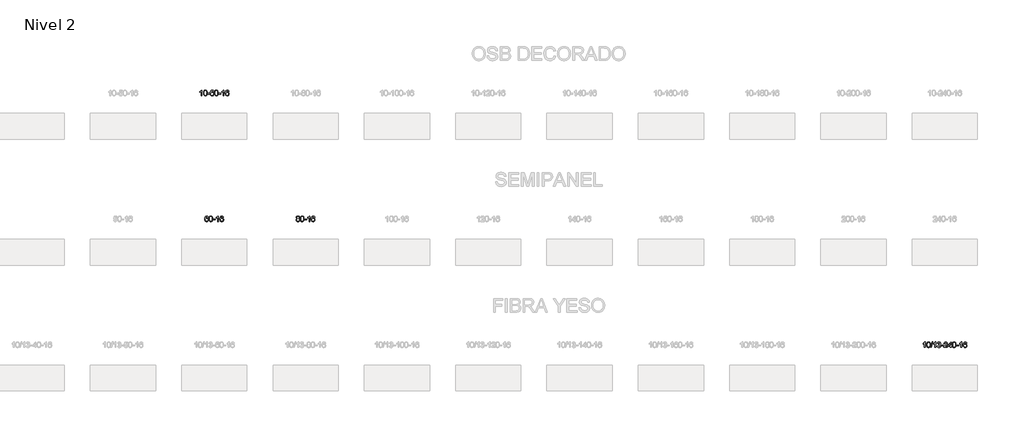
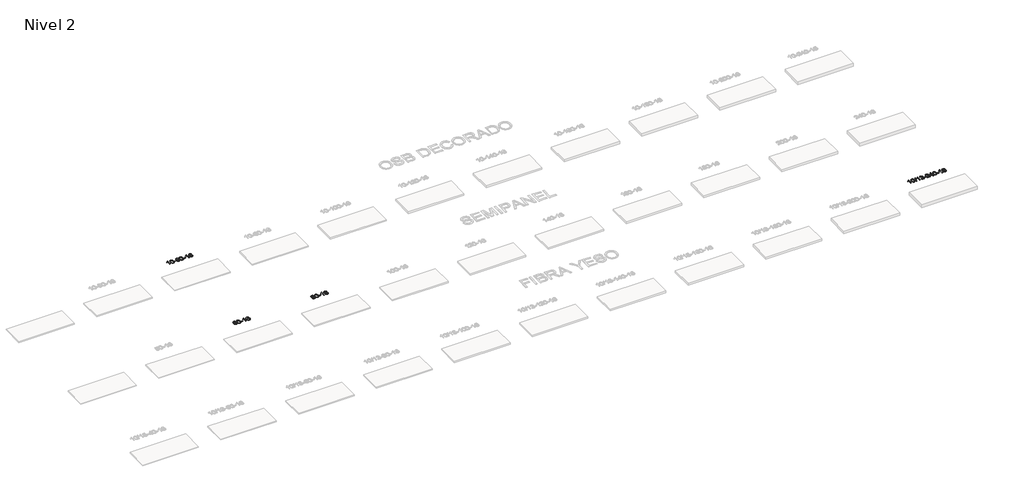
# One storey, part 29 of 51: 4 proxies.
"""IFC4 building model written with IfcOpenShell, lengths in millimetres."""

from ifc_helpers import new_model, si_unit, frame, origin, place, context, project, spatial, polyline, outline, extrude, element, save

model = new_model("IFC4")

# Units and contexts
model_context = context("Model", 3, world=origin())
ifc_project = project(units=[si_unit("LENGTHUNIT", "METRE", prefix="MILLI")], contexts=[model_context])

# Site, building, storey
site = spatial("IfcSite", under=ifc_project)
building = spatial("IfcBuilding", under=site)
storey = spatial("IfcBuildingStorey", under=building, Name="Nivel 2", Elevation=3000.0)

# Proxies
placement = place(None, origin())
element("IfcBuildingElementProxy", 1, Name="Texto de modelo 1", ObjectType="Texto de modelo 1", at=placement, inside=storey, context=model_context, shape_type="SweptSolid", body=[
    extrude(outline(polyline([(4824.6154698, -86347.0667526), (4774.3873148, -86347.0667526), (4774.3873148, -86033.9255983), (4753.418041, -86050.8849583), (4726.80791, -86067.8197928), (4673.9310046, -86093.179125), (4673.9310046, -86045.6978222), (4713.3802172, -86024.2380391), (4747.5564546, -85998.7070287), (4774.4976794, -85971.5573374), (4792.2418543, -85945.241512), (4824.6154698, -85945.241512), (4824.6154698, -86347.0667526)])), frame((0.0, 0.0, 3000.0), z_axis=(0.0, 0.0, 1.0), x_axis=(1.0, 0.0, 0.0)), (0.0, 0.0, 1.0), 10.0),
    extrude(outline(polyline([(4943.9073381, -86149.3914939), (4947.5984208, -86085.0734584), (4958.6716689, -86033.7784455), (4977.0167177, -85994.7216404), (4988.8747807, -85979.4882601), (5002.5232027, -85967.118228), (5018.007969, -85957.5471648), (5035.3750649, -85950.710691), (5075.7562452, -85945.241512), (5106.7073837, -85948.4788736), (5134.4211607, -85958.1909583), (5157.5977264, -85973.9976213), (5174.9372311, -85995.518718), (5188.0338301, -86022.5703074), (5198.4816788, -86054.9684485), (5205.3242839, -86096.1099183), (5207.6051523, -86149.3914939), (5203.9508578, -86213.3416474), (5192.9879743, -86264.5140329), (5174.7532901, -86303.6076263), (5162.9228183, -86318.8869918), (5149.2835933, -86331.3214032), (5133.7804329, -86340.9568458), (5116.3581547, -86347.8393048), (5075.7562452, -86353.345272), (5048.0915192, -86350.9540391), (5023.5660528, -86343.7803401), (5002.1798462, -86331.8241753), (4983.9328992, -86315.0855445), (4966.4217162, -86284.8272504), (4953.9137284, -86247.1254773), (4946.4089357, -86201.9802251), (4943.9073381, -86149.3914939)]), holes=[polyline([(4994.1354932, -86149.293392), (4995.6070212, -86192.9579192), (5000.0216051, -86228.3021819), (5007.379245, -86255.3261801), (5017.6799409, -86274.0299139), (5030.1388778, -86286.7555652), (5043.9712408, -86295.8453162), (5059.17703, -86301.2991668), (5075.7562452, -86303.1171169), (5092.3354605, -86301.2930354), (5107.5412496, -86295.8207907), (5121.3736126, -86286.7003829), (5133.8325495, -86273.931812), (5144.1332454, -86255.1974214), (5151.4908853, -86228.1795545), (5155.9054692, -86192.8782114), (5157.3769972, -86149.293392), (5155.9545202, -86106.7846275), (5151.687089, -86072.0626985), (5144.5747038, -86045.1276051), (5134.6173644, -86025.9793472), (5122.366894, -86012.6313622), (5108.3751154, -86003.0970871), (5092.6420288, -85997.3765221), (5075.167634, -85995.4696671), (5058.6742579, -85997.1496616), (5043.7259862, -86002.1896449), (5030.3228188, -86010.5896171), (5018.4647558, -86022.3495782), (5007.8207034, -86043.1962246), (5000.2178089, -86071.3024091), (4995.6560721, -86106.6681315), (4994.1354932, -86149.293392)])]), frame((0.0, 0.0, 3000.0), z_axis=(0.0, 0.0, 1.0), x_axis=(1.0, 0.0, 0.0)), (0.0, 0.0, 1.0), 10.0),
    extrude(outline(polyline([(5238.9977492, -86227.7748843), (5238.9977492, -86177.5467293), (5395.9607338, -86177.5467293), (5395.9607338, -86227.7748843), (5238.9977492, -86227.7748843)])), frame((0.0, 0.0, 3000.0), z_axis=(0.0, 0.0, 1.0), x_axis=(1.0, 0.0, 0.0)), (0.0, 0.0, 1.0), 10.0),
    extrude(outline(polyline([(5697.3296643, -86051.9763416), (5647.1015092, -86058.254861), (5639.0081053, -86033.3615126), (5628.0697473, -86016.3653644), (5605.2855891, -86000.6935914), (5577.7434904, -85995.4696671), (5554.3952464, -85998.5108249), (5532.4204286, -86007.6342984), (5513.5480822, -86026.8500013), (5498.1338266, -86053.3007168), (5487.7227661, -86090.7143157), (5483.8600052, -86142.8186689), (5504.0076758, -86119.3110094), (5528.1529974, -86102.7440569), (5554.9470694, -86092.9216076), (5583.0409911, -86089.6474579), (5607.17405, -86091.8854067), (5629.4431734, -86098.5992531), (5649.8483614, -86109.7889971), (5668.389614, -86125.4546387), (5683.7977382, -86144.6642103), (5694.8035412, -86166.4857439), (5701.407023, -86190.9192398), (5703.6081836, -86217.9646978), (5699.4633798, -86253.9312942), (5687.0289684, -86287.2736657), (5667.3350189, -86315.5515284), (5641.411601, -86336.3245984), (5610.435937, -86349.0901036), (5575.5852493, -86353.345272), (5545.6427206, -86350.5248434), (5518.6003283, -86342.0635575), (5494.4580723, -86327.9614144), (5473.2159528, -86308.2184139), (5455.8979079, -86282.0006904), (5443.5278758, -86248.4743779), (5436.1058565, -86207.6394765), (5433.6318501, -86159.495986), (5436.3787023, -86105.521566), (5444.619259, -86059.4566088), (5458.3535202, -86021.3011145), (5477.5814858, -85991.0550832), (5498.4220008, -85971.0116458), (5522.5857165, -85956.6949048), (5550.072633, -85948.1048602), (5580.88275, -85945.241512), (5604.0163962, -85947.013477), (5624.9550131, -85952.3293718), (5643.6986007, -85961.1891965), (5660.2471591, -85973.5929511), (5674.1530986, -85989.1237027), (5684.9688292, -86007.3645183), (5692.6943511, -86028.3153979), (5697.3296643, -86051.9763416)]), holes=[polyline([(5483.8600052, -86217.1798829), (5486.7662729, -86239.4367436), (5495.4850762, -86260.6880602), (5509.0231337, -86278.9595326), (5526.3871638, -86292.2768608), (5547.3441748, -86300.4070529), (5571.6611747, -86303.1171169), (5604.8073425, -86297.5007852), (5618.7224789, -86290.4803704), (5630.8656505, -86280.6517898), (5640.7156909, -86268.4135821), (5647.751434, -86254.1642861), (5653.3800286, -86219.6324295), (5647.8250104, -86186.4862617), (5640.8812378, -86172.8654309), (5631.1599561, -86161.2127687), (5618.9799963, -86151.877763), (5604.6601897, -86145.2099019), (5569.6010355, -86139.875613), (5536.5039187, -86145.2099019), (5508.8269299, -86161.2127687), (5497.9039004, -86172.7121467), (5490.1017364, -86185.8731251), (5485.420438, -86200.6957038), (5483.8600052, -86217.1798829)])]), frame((0.0, 0.0, 3000.0), z_axis=(0.0, 0.0, 1.0), x_axis=(1.0, 0.0, 0.0)), (0.0, 0.0, 1.0), 10.0),
    extrude(outline(polyline([(5747.5578193, -86149.3914939), (5751.248902, -86085.0734584), (5762.3221501, -86033.7784455), (5780.6671989, -85994.7216404), (5792.5252619, -85979.4882601), (5806.1736839, -85967.118228), (5821.6584502, -85957.5471648), (5839.0255461, -85950.710691), (5879.4067264, -85945.241512), (5910.3578649, -85948.4788736), (5938.0716419, -85958.1909583), (5961.2482076, -85973.9976213), (5978.5877123, -85995.518718), (5991.6843113, -86022.5703074), (6002.13216, -86054.9684485), (6008.9747651, -86096.1099183), (6011.2556335, -86149.3914939), (6007.601339, -86213.3416474), (5996.6384555, -86264.5140329), (5978.4037713, -86303.6076263), (5966.5732995, -86318.8869918), (5952.9340745, -86331.3214032), (5937.4309141, -86340.9568458), (5920.0086359, -86347.8393048), (5879.4067264, -86353.345272), (5851.7420004, -86350.9540391), (5827.216534, -86343.7803401), (5805.8303274, -86331.8241753), (5787.5833804, -86315.0855445), (5770.0721974, -86284.8272504), (5757.5642096, -86247.1254773), (5750.0594169, -86201.9802251), (5747.5578193, -86149.3914939)]), holes=[polyline([(5797.7859744, -86149.293392), (5799.2575024, -86192.9579192), (5803.6720863, -86228.3021819), (5811.0297262, -86255.3261801), (5821.3304221, -86274.0299139), (5833.789359, -86286.7555652), (5847.621722, -86295.8453162), (5862.8275112, -86301.2991668), (5879.4067264, -86303.1171169), (5895.9859417, -86301.2930354), (5911.1917308, -86295.8207907), (5925.0240938, -86286.7003829), (5937.4830307, -86273.931812), (5947.7837266, -86255.1974214), (5955.1413665, -86228.1795545), (5959.5559504, -86192.8782114), (5961.0274784, -86149.293392), (5959.6050013, -86106.7846275), (5955.3375702, -86072.0626985), (5948.225185, -86045.1276051), (5938.2678456, -86025.9793472), (5926.0173752, -86012.6313622), (5912.0255966, -86003.0970871), (5896.29251, -85997.3765221), (5878.8181152, -85995.4696671), (5862.3247391, -85997.1496616), (5847.3764674, -86002.1896449), (5833.9733, -86010.5896171), (5822.115237, -86022.3495782), (5811.4711846, -86043.1962246), (5803.8682901, -86071.3024091), (5799.3065533, -86106.6681315), (5797.7859744, -86149.293392)])]), frame((0.0, 0.0, 3000.0), z_axis=(0.0, 0.0, 1.0), x_axis=(1.0, 0.0, 0.0)), (0.0, 0.0, 1.0), 10.0),
    extrude(outline(polyline([(6042.6482304, -86227.7748843), (6042.6482304, -86177.5467293), (6199.611215, -86177.5467293), (6199.611215, -86227.7748843), (6042.6482304, -86227.7748843)])), frame((0.0, 0.0, 3000.0), z_axis=(0.0, 0.0, 1.0), x_axis=(1.0, 0.0, 0.0)), (0.0, 0.0, 1.0), 10.0),
    extrude(outline(polyline([(6431.9164322, -86347.0667526), (6381.6882771, -86347.0667526), (6381.6882771, -86033.9255983), (6360.7190034, -86050.8849583), (6334.1088724, -86067.8197928), (6281.231967, -86093.179125), (6281.231967, -86045.6978222), (6320.6811796, -86024.2380391), (6354.857417, -85998.7070287), (6381.7986417, -85971.5573374), (6399.5428166, -85945.241512), (6431.9164322, -85945.241512), (6431.9164322, -86347.0667526)])), frame((0.0, 0.0, 3000.0), z_axis=(0.0, 0.0, 1.0), x_axis=(1.0, 0.0, 0.0)), (0.0, 0.0, 1.0), 10.0),
    extrude(outline(polyline([(6808.6275953, -86051.9763416), (6758.3994402, -86058.254861), (6750.3060363, -86033.3615126), (6739.3676783, -86016.3653644), (6716.5835201, -86000.6935914), (6689.0414214, -85995.4696671), (6665.6931774, -85998.5108249), (6643.7183596, -86007.6342984), (6624.8460132, -86026.8500013), (6609.4317576, -86053.3007168), (6599.0206972, -86090.7143157), (6595.1579362, -86142.8186689), (6615.3056068, -86119.3110094), (6639.4509284, -86102.7440569), (6666.2450004, -86092.9216076), (6694.3389221, -86089.6474579), (6718.471981, -86091.8854067), (6740.7411044, -86098.5992531), (6761.1462924, -86109.7889971), (6779.687545, -86125.4546387), (6795.0956692, -86144.6642103), (6806.1014723, -86166.4857439), (6812.7049541, -86190.9192398), (6814.9061147, -86217.9646978), (6810.7613109, -86253.9312942), (6798.3268994, -86287.2736657), (6778.6329499, -86315.5515284), (6752.709532, -86336.3245984), (6721.733868, -86349.0901036), (6686.8831803, -86353.345272), (6656.9406516, -86350.5248434), (6629.8982593, -86342.0635575), (6605.7560034, -86327.9614144), (6584.5138838, -86308.2184139), (6567.1958389, -86282.0006904), (6554.8258068, -86248.4743779), (6547.4037876, -86207.6394765), (6544.9297811, -86159.495986), (6547.6766334, -86105.521566), (6555.9171901, -86059.4566088), (6569.6514512, -86021.3011145), (6588.8794168, -85991.0550832), (6609.7199319, -85971.0116458), (6633.8836476, -85956.6949048), (6661.370564, -85948.1048602), (6692.1806811, -85945.241512), (6715.3143272, -85947.013477), (6736.2529441, -85952.3293718), (6754.9965318, -85961.1891965), (6771.5450902, -85973.5929511), (6785.4510296, -85989.1237027), (6796.2667602, -86007.3645183), (6803.9922821, -86028.3153979), (6808.6275953, -86051.9763416)]), holes=[polyline([(6595.1579362, -86217.1798829), (6598.064204, -86239.4367436), (6606.7830073, -86260.6880602), (6620.3210647, -86278.9595326), (6637.6850949, -86292.2768608), (6658.6421059, -86300.4070529), (6682.9591057, -86303.1171169), (6716.1052735, -86297.5007852), (6730.02041, -86290.4803704), (6742.1635815, -86280.6517898), (6752.0136219, -86268.4135821), (6759.0493651, -86254.1642861), (6764.6779596, -86219.6324295), (6759.1229415, -86186.4862617), (6752.1791688, -86172.8654309), (6742.4578871, -86161.2127687), (6730.2779274, -86151.877763), (6715.9581207, -86145.2099019), (6680.8989666, -86139.875613), (6647.8018497, -86145.2099019), (6620.124861, -86161.2127687), (6609.2018314, -86172.7121467), (6601.3996674, -86185.8731251), (6596.718369, -86200.6957038), (6595.1579362, -86217.1798829)])]), frame((0.0, 0.0, 3000.0), z_axis=(0.0, 0.0, 1.0), x_axis=(1.0, 0.0, 0.0)), (0.0, 0.0, 1.0), 10.0),
])
element("IfcBuildingElementProxy", 2, Name="Texto de modelo 1", ObjectType="Texto de modelo 1", at=placement, inside=storey, context=model_context, shape_type="SweptSolid", body=[
    extrude(outline(polyline([(5295.5044237, -95310.3570445), (5245.2762686, -95316.6355639), (5237.1828647, -95291.7422155), (5226.2445067, -95274.7460673), (5203.4603485, -95259.0742943), (5175.9182498, -95253.85037), (5152.5700058, -95256.8915278), (5130.595188, -95266.0150013), (5111.7228416, -95285.2307042), (5096.308586, -95311.6814197), (5085.8975255, -95349.0950186), (5082.0347646, -95401.1993718), (5102.1824352, -95377.6917123), (5126.3277568, -95361.1247598), (5153.1218288, -95351.3023105), (5181.2157505, -95348.0281608), (5205.3488094, -95350.2661096), (5227.6179328, -95356.979956), (5248.0231208, -95368.1697), (5266.5643734, -95383.8353416), (5281.9724976, -95403.0449132), (5292.9783006, -95424.8664468), (5299.5817824, -95449.2999427), (5301.782943, -95476.3454007), (5297.6381392, -95512.3119971), (5285.2037278, -95545.6543686), (5265.5097783, -95573.9322313), (5239.5863604, -95594.7053013), (5208.6106964, -95607.4708065), (5173.7600087, -95611.7259749), (5143.81748, -95608.9055463), (5116.7750877, -95600.4442604), (5092.6328317, -95586.3421173), (5071.3907122, -95566.5991168), (5054.0726673, -95540.3813933), (5041.7026352, -95506.8550808), (5034.2806159, -95466.0201794), (5031.8066095, -95417.8766889), (5034.5534617, -95363.9022689), (5042.7940184, -95317.8373117), (5056.5282796, -95279.6818174), (5075.7562452, -95249.4357861), (5096.5967602, -95229.3923487), (5120.7604759, -95215.0756077), (5148.2473924, -95206.4855631), (5179.0575095, -95203.6222149), (5202.1911556, -95205.3941799), (5223.1297725, -95210.7100747), (5241.8733601, -95219.5698994), (5258.4219185, -95231.973654), (5272.327858, -95247.5044056), (5283.1435886, -95265.7452212), (5290.8691105, -95286.6961008), (5295.5044237, -95310.3570445)]), holes=[polyline([(5082.0347646, -95475.5605858), (5084.9410324, -95497.8174465), (5093.6598356, -95519.0687631), (5107.1978931, -95537.3402355), (5124.5619232, -95550.6575637), (5145.5189342, -95558.7877558), (5169.8359341, -95561.4978198), (5202.9821019, -95555.8814881), (5216.8972383, -95548.8610733), (5229.0404099, -95539.0324927), (5238.8904503, -95526.794285), (5245.9261934, -95512.544989), (5251.554788, -95478.0131324), (5245.9997698, -95444.8669646), (5239.0559972, -95431.2461338), (5229.3347155, -95419.5934716), (5217.1547557, -95410.2584659), (5202.8349491, -95403.5906048), (5167.7757949, -95398.2563159), (5134.6786781, -95403.5906048), (5107.0016893, -95419.5934716), (5096.0786598, -95431.0928496), (5088.2764958, -95444.253828), (5083.5951974, -95459.0764067), (5082.0347646, -95475.5605858)])]), frame((0.0, 0.0, 3000.0), z_axis=(0.0, 0.0, 1.0), x_axis=(1.0, 0.0, 0.0)), (0.0, 0.0, 1.0), 10.0),
    extrude(outline(polyline([(5345.7325787, -95407.7721968), (5349.4236614, -95343.4541613), (5360.4969095, -95292.1591484), (5378.8419583, -95253.1023433), (5390.7000213, -95237.868963), (5404.3484433, -95225.4989309), (5419.8332096, -95215.9278677), (5437.2003055, -95209.0913939), (5477.5814858, -95203.6222149), (5508.5326243, -95206.8595765), (5536.2464013, -95216.5716612), (5559.422967, -95232.3783242), (5576.7624717, -95253.8994209), (5589.8590707, -95280.9510103), (5600.3069194, -95313.3491514), (5607.1495245, -95354.4906212), (5609.4303929, -95407.7721968), (5605.7760984, -95471.7223503), (5594.8132149, -95522.8947358), (5576.5785307, -95561.9883292), (5564.7480589, -95577.2676947), (5551.1088339, -95589.7021061), (5535.6056735, -95599.3375487), (5518.1833953, -95606.2200077), (5477.5814858, -95611.7259749), (5449.9167598, -95609.334742), (5425.3912934, -95602.161043), (5404.0050868, -95590.2048782), (5385.7581398, -95573.4662474), (5368.2469568, -95543.2079533), (5355.738969, -95505.5061802), (5348.2341763, -95460.360928), (5345.7325787, -95407.7721968)]), holes=[polyline([(5395.9607338, -95407.6740949), (5397.4322618, -95451.3386221), (5401.8468457, -95486.6828848), (5409.2044856, -95513.706883), (5419.5051815, -95532.4106168), (5431.9641184, -95545.1362681), (5445.7964814, -95554.2260191), (5461.0022706, -95559.6798697), (5477.5814858, -95561.4978198), (5494.1607011, -95559.6737383), (5509.3664902, -95554.2014936), (5523.1988532, -95545.0810858), (5535.6577901, -95532.3125149), (5545.958486, -95513.5781243), (5553.3161259, -95486.5602574), (5557.7307098, -95451.2589143), (5559.2022378, -95407.6740949), (5557.7797608, -95365.1653304), (5553.5123296, -95330.4434014), (5546.3999444, -95303.508308), (5536.442605, -95284.3600501), (5524.1921346, -95271.0120651), (5510.200356, -95261.47779), (5494.4672694, -95255.757225), (5476.9928746, -95253.85037), (5460.4994985, -95255.5303645), (5445.5512268, -95260.5703478), (5432.1480594, -95268.97032), (5420.2899964, -95280.7302811), (5409.645944, -95301.5769275), (5402.0430495, -95329.683112), (5397.4813127, -95365.0488344), (5395.9607338, -95407.6740949)])]), frame((0.0, 0.0, 3000.0), z_axis=(0.0, 0.0, 1.0), x_axis=(1.0, 0.0, 0.0)), (0.0, 0.0, 1.0), 10.0),
    extrude(outline(polyline([(5640.8229898, -95486.1555872), (5640.8229898, -95435.9274322), (5797.7859744, -95435.9274322), (5797.7859744, -95486.1555872), (5640.8229898, -95486.1555872)])), frame((0.0, 0.0, 3000.0), z_axis=(0.0, 0.0, 1.0), x_axis=(1.0, 0.0, 0.0)), (0.0, 0.0, 1.0), 10.0),
    extrude(outline(polyline([(6030.0911916, -95605.4474555), (5979.8630366, -95605.4474555), (5979.8630366, -95292.3063012), (5958.8937628, -95309.2656612), (5932.2836318, -95326.2004957), (5879.4067264, -95351.5598279), (5879.4067264, -95304.0785251), (5918.855939, -95282.618742), (5953.0321764, -95257.0877316), (5979.9734011, -95229.9380403), (5997.7175761, -95203.6222149), (6030.0911916, -95203.6222149), (6030.0911916, -95605.4474555)])), frame((0.0, 0.0, 3000.0), z_axis=(0.0, 0.0, 1.0), x_axis=(1.0, 0.0, 0.0)), (0.0, 0.0, 1.0), 10.0),
    extrude(outline(polyline([(6406.8023547, -95310.3570445), (6356.5741996, -95316.6355639), (6348.4807957, -95291.7422155), (6337.5424377, -95274.7460673), (6314.7582795, -95259.0742943), (6287.2161808, -95253.85037), (6263.8679368, -95256.8915278), (6241.893119, -95266.0150013), (6223.0207726, -95285.2307042), (6207.606517, -95311.6814197), (6197.1954566, -95349.0950186), (6193.3326956, -95401.1993718), (6213.4803662, -95377.6917123), (6237.6256878, -95361.1247598), (6264.4197598, -95351.3023105), (6292.5136815, -95348.0281608), (6316.6467404, -95350.2661096), (6338.9158638, -95356.979956), (6359.3210518, -95368.1697), (6377.8623044, -95383.8353416), (6393.2704286, -95403.0449132), (6404.2762317, -95424.8664468), (6410.8797135, -95449.2999427), (6413.0808741, -95476.3454007), (6408.9360703, -95512.3119971), (6396.5016588, -95545.6543686), (6376.8077093, -95573.9322313), (6350.8842914, -95594.7053013), (6319.9086274, -95607.4708065), (6285.0579397, -95611.7259749), (6255.115411, -95608.9055463), (6228.0730187, -95600.4442604), (6203.9307628, -95586.3421173), (6182.6886432, -95566.5991168), (6165.3705983, -95540.3813933), (6153.0005662, -95506.8550808), (6145.578547, -95466.0201794), (6143.1045405, -95417.8766889), (6145.8513928, -95363.9022689), (6154.0919495, -95317.8373117), (6167.8262106, -95279.6818174), (6187.0541762, -95249.4357861), (6207.8946913, -95229.3923487), (6232.058407, -95215.0756077), (6259.5453234, -95206.4855631), (6290.3554405, -95203.6222149), (6313.4890866, -95205.3941799), (6334.4277035, -95210.7100747), (6353.1712912, -95219.5698994), (6369.7198496, -95231.973654), (6383.625789, -95247.5044056), (6394.4415196, -95265.7452212), (6402.1670415, -95286.6961008), (6406.8023547, -95310.3570445)]), holes=[polyline([(6193.3326956, -95475.5605858), (6196.2389634, -95497.8174465), (6204.9577667, -95519.0687631), (6218.4958241, -95537.3402355), (6235.8598543, -95550.6575637), (6256.8168653, -95558.7877558), (6281.1338651, -95561.4978198), (6314.2800329, -95555.8814881), (6328.1951694, -95548.8610733), (6340.3383409, -95539.0324927), (6350.1883813, -95526.794285), (6357.2241245, -95512.544989), (6362.852719, -95478.0131324), (6357.2977009, -95444.8669646), (6350.3539282, -95431.2461338), (6340.6326465, -95419.5934716), (6328.4526868, -95410.2584659), (6314.1328801, -95403.5906048), (6279.073726, -95398.2563159), (6245.9766091, -95403.5906048), (6218.2996204, -95419.5934716), (6207.3765908, -95431.0928496), (6199.5744268, -95444.253828), (6194.8931284, -95459.0764067), (6193.3326956, -95475.5605858)])]), frame((0.0, 0.0, 3000.0), z_axis=(0.0, 0.0, 1.0), x_axis=(1.0, 0.0, 0.0)), (0.0, 0.0, 1.0), 10.0),
])
element("IfcBuildingElementProxy", 3, Name="Texto de modelo 1", ObjectType="Texto de modelo 1", at=placement, inside=storey, context=model_context, shape_type="SweptSolid", body=[
    extrude(outline(polyline([(11826.2096553, -95384.1296472), (11799.3174814, -95370.8858954), (11780.4451351, -95352.933254), (11769.2983106, -95330.6396051), (11765.5827025, -95304.3728307), (11767.6060535, -95283.8879349), (11773.6761064, -95265.1075591), (11783.7928613, -95248.0317031), (11797.9563181, -95232.6603671), (11815.4858951, -95219.9561755), (11835.7010108, -95210.881753), (11858.601665, -95205.4370994), (11884.1878577, -95203.6222149), (11909.8966778, -95205.480019), (11932.9690103, -95211.0534312), (11953.4048551, -95220.3424516), (11971.2042123, -95233.3470801), (11985.6251865, -95249.0188531), (11995.9258824, -95266.3093069), (12002.1062999, -95285.2184415), (12004.1664391, -95305.7462568), (12000.4998819, -95331.1669027), (11989.5002102, -95353.0804068), (11971.0447968, -95370.9226836), (11945.0110143, -95384.1296472), (11975.9253646, -95400.0589376), (11998.42748, -95423.5175462), (12012.1494784, -95453.3773015), (12016.7234779, -95488.510032), (12014.4548722, -95513.5627959), (12007.6490553, -95536.5308951), (11996.3060271, -95557.4143297), (11980.4257877, -95576.2130997), (11960.8422028, -95591.7499826), (11938.3891384, -95602.8477561), (11913.0665944, -95609.5064202), (11884.8745708, -95611.7259749), (11856.6825472, -95609.4972232), (11831.3600032, -95602.8109679), (11808.9069388, -95591.6672091), (11789.3233539, -95576.0659469), (11773.4431145, -95557.1353525), (11762.1000863, -95536.0035976), (11755.2942694, -95512.670682), (11753.0256637, -95487.1366059), (11757.7836042, -95450.642712), (11772.0574256, -95420.6235412), (11795.111364, -95398.1091631), (11826.2096553, -95384.1296472)]), holes=[polyline([(11815.8108576, -95305.8443587), (11820.2622297, -95327.7701256), (11833.6163461, -95345.2813085), (11855.4807994, -95356.7592268), (11885.463182, -95360.5851995), (11914.7465888, -95356.7837523), (11936.2799483, -95345.3794104), (11949.5237001, -95328.4568386), (11953.938284, -95308.1007016), (11949.3765473, -95286.9720123), (11935.6913371, -95269.4976175), (11913.863672, -95257.7621819), (11884.8745708, -95253.85037), (11855.7015286, -95257.6763428), (11833.9106517, -95269.154261), (11820.3358061, -95285.9787309), (11815.8108576, -95305.8443587)]), polyline([(11803.2538188, -95485.3707723), (11805.3507462, -95504.5864752), (11811.6415283, -95523.1890414), (11823.2543366, -95539.4126374), (11841.3173426, -95551.4914296), (11862.9488039, -95558.9962223), (11885.2669783, -95561.4978198), (11919.4554783, -95556.2371073), (11933.349155, -95549.6612167), (11945.1091161, -95540.4549697), (11961.1487711, -95516.5549028), (11966.4953228, -95486.9404022), (11960.9770929, -95456.8231295), (11944.4224031, -95432.395765), (11932.3436109, -95422.9534605), (11918.1801541, -95416.2089572), (11883.5992465, -95410.8133546), (11849.8889931, -95416.1353808), (11836.1516662, -95422.7879136), (11824.4928727, -95432.1014594), (11808.5635823, -95456.06284), (11803.2538188, -95485.3707723)])]), frame((0.0, 0.0, 3000.0), z_axis=(0.0, 0.0, 1.0), x_axis=(1.0, 0.0, 0.0)), (0.0, 0.0, 1.0), 10.0),
    extrude(outline(polyline([(12060.6731136, -95407.7721968), (12064.3641962, -95343.4541613), (12075.4374443, -95292.1591484), (12093.7824931, -95253.1023433), (12105.6405561, -95237.868963), (12119.2889781, -95225.4989309), (12134.7737444, -95215.9278677), (12152.1408403, -95209.0913939), (12192.5220206, -95203.6222149), (12223.4731592, -95206.8595765), (12251.1869361, -95216.5716612), (12274.3635018, -95232.3783242), (12291.7030065, -95253.8994209), (12304.7996056, -95280.9510103), (12315.2474542, -95313.3491514), (12322.0900593, -95354.4906212), (12324.3709277, -95407.7721968), (12320.7166332, -95471.7223503), (12309.7537498, -95522.8947358), (12291.5190655, -95561.9883292), (12279.6885937, -95577.2676947), (12266.0493687, -95589.7021061), (12250.5462083, -95599.3375487), (12233.1239302, -95606.2200077), (12192.5220206, -95611.7259749), (12164.8572946, -95609.334742), (12140.3318282, -95602.161043), (12118.9456216, -95590.2048782), (12100.6986746, -95573.4662474), (12083.1874917, -95543.2079533), (12070.6795038, -95505.5061802), (12063.1747111, -95460.360928), (12060.6731136, -95407.7721968)]), holes=[polyline([(12110.9012686, -95407.6740949), (12112.3727966, -95451.3386221), (12116.7873806, -95486.6828848), (12124.1450205, -95513.706883), (12134.4457163, -95532.4106168), (12146.9046532, -95545.1362681), (12160.7370162, -95554.2260191), (12175.9428054, -95559.6798697), (12192.5220206, -95561.4978198), (12209.1012359, -95559.6737383), (12224.307025, -95554.2014936), (12238.139388, -95545.0810858), (12250.5983249, -95532.3125149), (12260.8990208, -95513.5781243), (12268.2566607, -95486.5602574), (12272.6712446, -95451.2589143), (12274.1427726, -95407.6740949), (12272.7202956, -95365.1653304), (12268.4528644, -95330.4434014), (12261.3404792, -95303.508308), (12251.3831399, -95284.3600501), (12239.1326694, -95271.0120651), (12225.1408909, -95261.47779), (12209.4078042, -95255.757225), (12191.9334094, -95253.85037), (12175.4400333, -95255.5303645), (12160.4917616, -95260.5703478), (12147.0885942, -95268.97032), (12135.2305312, -95280.7302811), (12124.5864789, -95301.5769275), (12116.9835843, -95329.683112), (12112.4218475, -95365.0488344), (12110.9012686, -95407.6740949)])]), frame((0.0, 0.0, 3000.0), z_axis=(0.0, 0.0, 1.0), x_axis=(1.0, 0.0, 0.0)), (0.0, 0.0, 1.0), 10.0),
    extrude(outline(polyline([(12355.7635246, -95486.1555872), (12355.7635246, -95435.9274322), (12512.7265092, -95435.9274322), (12512.7265092, -95486.1555872), (12355.7635246, -95486.1555872)])), frame((0.0, 0.0, 3000.0), z_axis=(0.0, 0.0, 1.0), x_axis=(1.0, 0.0, 0.0)), (0.0, 0.0, 1.0), 10.0),
    extrude(outline(polyline([(12745.0317265, -95605.4474555), (12694.8035714, -95605.4474555), (12694.8035714, -95292.3063012), (12673.8342977, -95309.2656612), (12647.2241667, -95326.2004957), (12594.3472612, -95351.5598279), (12594.3472612, -95304.0785251), (12633.7964738, -95282.618742), (12667.9727112, -95257.0877316), (12694.913936, -95229.9380403), (12712.6581109, -95203.6222149), (12745.0317265, -95203.6222149), (12745.0317265, -95605.4474555)])), frame((0.0, 0.0, 3000.0), z_axis=(0.0, 0.0, 1.0), x_axis=(1.0, 0.0, 0.0)), (0.0, 0.0, 1.0), 10.0),
    extrude(outline(polyline([(13121.7428895, -95310.3570445), (13071.5147344, -95316.6355639), (13063.4213305, -95291.7422155), (13052.4829726, -95274.7460673), (13029.6988143, -95259.0742943), (13002.1567156, -95253.85037), (12978.8084717, -95256.8915278), (12956.8336538, -95266.0150013), (12937.9613075, -95285.2307042), (12922.5470519, -95311.6814197), (12912.1359914, -95349.0950186), (12908.2732304, -95401.1993718), (12928.420901, -95377.6917123), (12952.5662227, -95361.1247598), (12979.3602946, -95351.3023105), (13007.4542163, -95348.0281608), (13031.5872752, -95350.2661096), (13053.8563987, -95356.979956), (13074.2615867, -95368.1697), (13092.8028392, -95383.8353416), (13108.2109635, -95403.0449132), (13119.2167665, -95424.8664468), (13125.8202483, -95449.2999427), (13128.0214089, -95476.3454007), (13123.8766051, -95512.3119971), (13111.4421936, -95545.6543686), (13091.7482442, -95573.9322313), (13065.8248262, -95594.7053013), (13034.8491623, -95607.4708065), (12999.9984746, -95611.7259749), (12970.0559458, -95608.9055463), (12943.0135535, -95600.4442604), (12918.8712976, -95586.3421173), (12897.629178, -95566.5991168), (12880.3111331, -95540.3813933), (12867.941101, -95506.8550808), (12860.5190818, -95466.0201794), (12858.0450754, -95417.8766889), (12860.7919276, -95363.9022689), (12869.0324843, -95317.8373117), (12882.7667454, -95279.6818174), (12901.9947111, -95249.4357861), (12922.8352261, -95229.3923487), (12946.9989418, -95215.0756077), (12974.4858582, -95206.4855631), (13005.2959753, -95203.6222149), (13028.4296214, -95205.3941799), (13049.3682383, -95210.7100747), (13068.111826, -95219.5698994), (13084.6603844, -95231.973654), (13098.5663238, -95247.5044056), (13109.3820545, -95265.7452212), (13117.1075764, -95286.6961008), (13121.7428895, -95310.3570445)]), holes=[polyline([(12908.2732304, -95475.5605858), (12911.1794982, -95497.8174465), (12919.8983015, -95519.0687631), (12933.4363589, -95537.3402355), (12950.8003891, -95550.6575637), (12971.7574001, -95558.7877558), (12996.0744, -95561.4978198), (13029.2205677, -95555.8814881), (13043.1357042, -95548.8610733), (13055.2788757, -95539.0324927), (13065.1289161, -95526.794285), (13072.1646593, -95512.544989), (13077.7932538, -95478.0131324), (13072.2382357, -95444.8669646), (13065.294463, -95431.2461338), (13055.5731813, -95419.5934716), (13043.3932216, -95410.2584659), (13029.0734149, -95403.5906048), (12994.0142608, -95398.2563159), (12960.917144, -95403.5906048), (12933.2401552, -95419.5934716), (12922.3171256, -95431.0928496), (12914.5149616, -95444.253828), (12909.8336632, -95459.0764067), (12908.2732304, -95475.5605858)])]), frame((0.0, 0.0, 3000.0), z_axis=(0.0, 0.0, 1.0), x_axis=(1.0, 0.0, 0.0)), (0.0, 0.0, 1.0), 10.0),
])
element("IfcBuildingElementProxy", 4, Name="Texto de modelo 1", ObjectType="Texto de modelo 1", at=placement, inside=storey, context=model_context, shape_type="SweptSolid", body=[
    extrude(outline(polyline([(58004.1870814, -104863.8281584), (57953.9589263, -104863.8281584), (57953.9589263, -104550.6870041), (57932.9896526, -104567.6463641), (57906.3795216, -104584.5811986), (57853.5026161, -104609.9405308), (57853.5026161, -104562.459228), (57892.9518288, -104540.9994449), (57927.1280661, -104515.4684345), (57954.0692909, -104488.3187432), (57971.8134658, -104462.0029178), (58004.1870814, -104462.0029178), (58004.1870814, -104863.8281584)])), frame((0.0, 0.0, 3000.0), z_axis=(0.0, 0.0, 1.0), x_axis=(1.0, 0.0, 0.0)), (0.0, 0.0, 1.0), 10.0),
    extrude(outline(polyline([(58123.4789497, -104666.1528997), (58127.1700324, -104601.8348642), (58138.2432804, -104550.5398513), (58156.5883292, -104511.4830462), (58168.4463922, -104496.2496659), (58182.0948142, -104483.8796338), (58197.5795806, -104474.3085706), (58214.9466764, -104467.4720968), (58255.3278567, -104462.0029178), (58286.2789953, -104465.2402794), (58313.9927722, -104474.9523641), (58337.1693379, -104490.7590271), (58354.5088426, -104512.2801238), (58367.6054417, -104539.3317132), (58378.0532903, -104571.7298543), (58384.8958954, -104612.8713241), (58387.1767638, -104666.1528997), (58383.5224693, -104730.1030532), (58372.5595859, -104781.2754387), (58354.3249016, -104820.3690321), (58342.4944298, -104835.6483976), (58328.8552048, -104848.082809), (58313.3520444, -104857.7182516), (58295.9297663, -104864.6007106), (58255.3278567, -104870.1066778), (58227.6631307, -104867.7154449), (58203.1376644, -104860.5417459), (58181.7514577, -104848.5855811), (58163.5045107, -104831.8469503), (58145.9933278, -104801.5886562), (58133.4853399, -104763.8868831), (58125.9805472, -104718.7416309), (58123.4789497, -104666.1528997)]), holes=[polyline([(58173.7071047, -104666.0547978), (58175.1786327, -104709.719325), (58179.5932167, -104745.0635877), (58186.9508566, -104772.0875859), (58197.2515524, -104790.7913197), (58209.7104893, -104803.516971), (58223.5428524, -104812.606722), (58238.7486415, -104818.0605726), (58255.3278567, -104819.8785227), (58271.907072, -104818.0544412), (58287.1128611, -104812.5821965), (58300.9452241, -104803.4617887), (58313.4041611, -104790.6932178), (58323.7048569, -104771.9588272), (58331.0624968, -104744.9409603), (58335.4770808, -104709.6396172), (58336.9486087, -104666.0547978), (58335.5261317, -104623.5460333), (58331.2587005, -104588.8241043), (58324.1463153, -104561.8890109), (58314.188976, -104542.740753), (58301.9385055, -104529.392768), (58287.946727, -104519.8584929), (58272.2136403, -104514.1379279), (58254.7392456, -104512.2310729), (58238.2458694, -104513.9110674), (58223.2975977, -104518.9510507), (58209.8944303, -104527.3510229), (58198.0363674, -104539.110984), (58187.392315, -104559.9576304), (58179.7894204, -104588.0638149), (58175.2276837, -104623.4295373), (58173.7071047, -104666.0547978)])]), frame((0.0, 0.0, 3000.0), z_axis=(0.0, 0.0, 1.0), x_axis=(1.0, 0.0, 0.0)), (0.0, 0.0, 1.0), 10.0),
    extrude(outline(polyline([(58406.012322, -104863.8281584), (58519.0256709, -104462.0029178), (58564.3487327, -104462.0029178), (58451.3353838, -104863.8281584), (58406.012322, -104863.8281584)])), frame((0.0, 0.0, 3000.0), z_axis=(0.0, 0.0, 1.0), x_axis=(1.0, 0.0, 0.0)), (0.0, 0.0, 1.0), 10.0),
    extrude(outline(polyline([(58776.4449656, -104863.8281584), (58726.2168106, -104863.8281584), (58726.2168106, -104550.6870041), (58705.2475368, -104567.6463641), (58678.6374059, -104584.5811986), (58625.7605004, -104609.9405308), (58625.7605004, -104562.459228), (58665.209713, -104540.9994449), (58699.3859504, -104515.4684345), (58726.3271752, -104488.3187432), (58744.0713501, -104462.0029178), (58776.4449656, -104462.0029178), (58776.4449656, -104863.8281584)])), frame((0.0, 0.0, 3000.0), z_axis=(0.0, 0.0, 1.0), x_axis=(1.0, 0.0, 0.0)), (0.0, 0.0, 1.0), 10.0),
    extrude(outline(polyline([(58895.7368339, -104757.0933289), (58945.964989, -104750.8148095), (58957.2099153, -104782.3790847), (58973.678766, -104803.691715), (58996.1808814, -104815.8318208), (59025.5256018, -104819.8785227), (59059.9593566, -104814.3112419), (59074.233178, -104807.3521408), (59086.5449621, -104797.6093993), (59103.5411103, -104772.6915255), (59109.206493, -104742.476151), (59103.5901612, -104713.7936181), (59086.7411658, -104690.5312132), (59061.2346808, -104675.1169576), (59029.6458802, -104669.9788724), (58994.4273105, -104675.4725769), (59000.0191168, -104625.2444218), (59008.0634698, -104625.833033), (59038.156217, -104622.2277895), (59065.0606536, -104611.4120588), (59076.1339017, -104603.2328158), (59084.0433645, -104593.1160609), (59088.7890423, -104581.0617942), (59090.3709349, -104567.0700157), (59085.7846727, -104545.3772407), (59072.025886, -104527.7802186), (59051.0320868, -104516.1183593), (59024.7407869, -104512.2310729), (58998.4004361, -104516.1551475), (58976.8670766, -104527.9273714), (58961.1462527, -104547.5477445), (58952.2435084, -104575.0162668), (58902.0153533, -104568.7377474), (58907.9689103, -104544.7579727), (58916.8042095, -104523.6354148), (58928.5212511, -104505.3700737), (58943.1200349, -104489.9619495), (58960.1407086, -104477.7298731), (58979.1234195, -104468.9926757), (59000.0681678, -104463.7503573), (59022.9749533, -104462.0029178), (59054.5514913, -104465.4487459), (59083.5528552, -104475.7862299), (59108.0047452, -104492.095665), (59125.9328611, -104513.4573462), (59136.9325327, -104538.0686517), (59140.5990899, -104564.1269597), (59137.1164737, -104588.4071714), (59126.6686251, -104610.4310402), (59109.4026967, -104629.1930219), (59085.4658416, -104643.6875725), (59116.9074894, -104656.3917641), (59140.2066825, -104678.0232254), (59154.6276567, -104707.4047341), (59159.4346481, -104743.3590678), (59157.0311524, -104768.8410273), (59149.8206653, -104792.3118986), (59137.8031868, -104813.7716816), (59120.9787169, -104833.2203764), (59100.4815584, -104849.3581333), (59077.4460141, -104860.8851025), (59051.8720841, -104867.801284), (59023.7597683, -104870.1066778), (58998.3513851, -104868.1385091), (58975.1993449, -104862.2340031), (58954.3036476, -104852.3931598), (58935.6642932, -104838.615979), (58920.0354397, -104821.7118014), (58908.1712454, -104802.4899671), (58900.0717101, -104780.9504763), (58895.7368339, -104757.0933289)])), frame((0.0, 0.0, 3000.0), z_axis=(0.0, 0.0, 1.0), x_axis=(1.0, 0.0, 0.0)), (0.0, 0.0, 1.0), 10.0),
    extrude(outline(polyline([(59190.827245, -104744.5362901), (59190.827245, -104694.3081351), (59347.7902296, -104694.3081351), (59347.7902296, -104744.5362901), (59190.827245, -104744.5362901)])), frame((0.0, 0.0, 3000.0), z_axis=(0.0, 0.0, 1.0), x_axis=(1.0, 0.0, 0.0)), (0.0, 0.0, 1.0), 10.0),
    extrude(outline(polyline([(59649.1591601, -104813.6000034), (59649.1591601, -104863.8281584), (59385.4613459, -104863.8281584), (59386.5649919, -104846.1452972), (59390.8569485, -104829.1982), (59403.242309, -104802.1343478), (59421.3666287, -104775.8798361), (59447.5843522, -104748.3990511), (59484.2499244, -104717.656379), (59538.451205, -104669.5128886), (59570.9719734, -104633.9754879), (59587.2323575, -104605.1335394), (59592.6524856, -104577.0764059), (59587.5389259, -104551.9255402), (59572.1982467, -104531.0175801), (59548.6170108, -104516.9276997), (59518.781781, -104512.2310729), (59487.4504977, -104516.8173351), (59463.1089724, -104530.5761217), (59447.4004112, -104552.4283123), (59441.9680204, -104581.2947861), (59391.7398653, -104575.0162668), (59396.0594131, -104549.0867175), (59403.9167594, -104526.4313179), (59415.3119042, -104507.0500681), (59430.2448475, -104490.9429681), (59448.3722328, -104478.2816961), (59469.3507036, -104469.2379304), (59493.1802598, -104463.811671), (59519.8609015, -104462.0029178), (59546.7806665, -104464.0140061), (59570.7389814, -104470.0472708), (59591.7358463, -104480.102712), (59609.7712611, -104494.1803297), (59624.2566147, -104511.2377915), (59634.6032958, -104530.2327652), (59640.8113045, -104551.1652507), (59642.8806407, -104574.0352481), (59640.6488232, -104598.0579424), (59633.9533709, -104621.6637037), (59622.0707825, -104645.6741353), (59604.2775567, -104670.9108402), (59575.9138548, -104701.0403756), (59532.3198384, -104739.7292987), (59474.5378397, -104788.0444674), (59451.8763088, -104813.6000034), (59649.1591601, -104813.6000034)])), frame((0.0, 0.0, 3000.0), z_axis=(0.0, 0.0, 1.0), x_axis=(1.0, 0.0, 0.0)), (0.0, 0.0, 1.0), 10.0),
    extrude(outline(polyline([(59862.6288191, -104863.8281584), (59862.6288191, -104769.6503677), (59680.551757, -104769.6503677), (59680.551757, -104719.4222126), (59875.1858579, -104468.2814372), (59912.8569742, -104468.2814372), (59912.8569742, -104719.4222126), (59963.0851293, -104719.4222126), (59963.0851293, -104769.6503677), (59912.8569742, -104769.6503677), (59912.8569742, -104863.8281584), (59862.6288191, -104863.8281584)]), holes=[polyline([(59862.6288191, -104719.4222126), (59862.6288191, -104564.2250616), (59742.3559322, -104719.4222126), (59862.6288191, -104719.4222126)])]), frame((0.0, 0.0, 3000.0), z_axis=(0.0, 0.0, 1.0), x_axis=(1.0, 0.0, 0.0)), (0.0, 0.0, 1.0), 10.0),
    extrude(outline(polyline([(60007.034765, -104666.1528997), (60010.7258477, -104601.8348642), (60021.7990957, -104550.5398513), (60040.1441445, -104511.4830462), (60052.0022075, -104496.2496659), (60065.6506295, -104483.8796338), (60081.1353959, -104474.3085706), (60098.5024917, -104467.4720968), (60138.8836721, -104462.0029178), (60169.8348106, -104465.2402794), (60197.5485875, -104474.9523641), (60220.7251532, -104490.7590271), (60238.064658, -104512.2801238), (60251.161257, -104539.3317132), (60261.6091056, -104571.7298543), (60268.4517108, -104612.8713241), (60270.7325791, -104666.1528997), (60267.0782846, -104730.1030532), (60256.1154012, -104781.2754387), (60237.880717, -104820.3690321), (60226.0502451, -104835.6483976), (60212.4110202, -104848.082809), (60196.9078597, -104857.7182516), (60179.4855816, -104864.6007106), (60138.8836721, -104870.1066778), (60111.218946, -104867.7154449), (60086.6934797, -104860.5417459), (60065.307273, -104848.5855811), (60047.0603261, -104831.8469503), (60029.5491431, -104801.5886562), (60017.0411552, -104763.8868831), (60009.5363625, -104718.7416309), (60007.034765, -104666.1528997)]), holes=[polyline([(60057.2629201, -104666.0547978), (60058.734448, -104709.719325), (60063.149032, -104745.0635877), (60070.5066719, -104772.0875859), (60080.8073677, -104790.7913197), (60093.2663046, -104803.516971), (60107.0986677, -104812.606722), (60122.3044568, -104818.0605726), (60138.8836721, -104819.8785227), (60155.4628873, -104818.0544412), (60170.6686764, -104812.5821965), (60184.5010395, -104803.4617887), (60196.9599764, -104790.6932178), (60207.2606722, -104771.9588272), (60214.6183121, -104744.9409603), (60219.0328961, -104709.6396172), (60220.504424, -104666.0547978), (60219.081947, -104623.5460333), (60214.8145159, -104588.8241043), (60207.7021306, -104561.8890109), (60197.7447913, -104542.740753), (60185.4943208, -104529.392768), (60171.5025423, -104519.8584929), (60155.7694556, -104514.1379279), (60138.2950609, -104512.2310729), (60121.8016847, -104513.9110674), (60106.853413, -104518.9510507), (60093.4502456, -104527.3510229), (60081.5921827, -104539.110984), (60070.9481303, -104559.9576304), (60063.3452357, -104588.0638149), (60058.783499, -104623.4295373), (60057.2629201, -104666.0547978)])]), frame((0.0, 0.0, 3000.0), z_axis=(0.0, 0.0, 1.0), x_axis=(1.0, 0.0, 0.0)), (0.0, 0.0, 1.0), 10.0),
    extrude(outline(polyline([(60302.125176, -104744.5362901), (60302.125176, -104694.3081351), (60459.0881607, -104694.3081351), (60459.0881607, -104744.5362901), (60302.125176, -104744.5362901)])), frame((0.0, 0.0, 3000.0), z_axis=(0.0, 0.0, 1.0), x_axis=(1.0, 0.0, 0.0)), (0.0, 0.0, 1.0), 10.0),
    extrude(outline(polyline([(60691.3933779, -104863.8281584), (60641.1652228, -104863.8281584), (60641.1652228, -104550.6870041), (60620.1959491, -104567.6463641), (60593.5858181, -104584.5811986), (60540.7089126, -104609.9405308), (60540.7089126, -104562.459228), (60580.1581253, -104540.9994449), (60614.3343626, -104515.4684345), (60641.2755874, -104488.3187432), (60659.0197623, -104462.0029178), (60691.3933779, -104462.0029178), (60691.3933779, -104863.8281584)])), frame((0.0, 0.0, 3000.0), z_axis=(0.0, 0.0, 1.0), x_axis=(1.0, 0.0, 0.0)), (0.0, 0.0, 1.0), 10.0),
    extrude(outline(polyline([(61068.1045409, -104568.7377474), (61017.8763859, -104575.0162668), (61009.782982, -104550.1229184), (60998.844624, -104533.1267702), (60976.0604657, -104517.4549972), (60948.518367, -104512.2310729), (60925.1701231, -104515.2722307), (60903.1953052, -104524.3957042), (60884.3229589, -104543.6114071), (60868.9087033, -104570.0621226), (60858.4976428, -104607.4757215), (60854.6348819, -104659.5800747), (60874.7825525, -104636.0724152), (60898.9278741, -104619.5054627), (60925.7219461, -104609.6830134), (60953.8158678, -104606.4088637), (60977.9489266, -104608.6468125), (61000.2180501, -104615.3606589), (61020.6232381, -104626.5504029), (61039.1644906, -104642.2160445), (61054.5726149, -104661.4256161), (61065.5784179, -104683.2471497), (61072.1818997, -104707.6806456), (61074.3830603, -104734.7261036), (61070.2382565, -104770.6927), (61057.8038451, -104804.0350715), (61038.1098956, -104832.3129342), (61012.1864777, -104853.0860042), (60981.2108137, -104865.8515094), (60946.360126, -104870.1066778), (60916.4175973, -104867.2862492), (60889.3752049, -104858.8249633), (60865.232949, -104844.7228202), (60843.9908295, -104824.9798197), (60826.6727845, -104798.7620962), (60814.3027525, -104765.2357837), (60806.8807332, -104724.4008823), (60804.4067268, -104676.2573918), (60807.153579, -104622.2829718), (60815.3941357, -104576.2180146), (60829.1283969, -104538.0625203), (60848.3563625, -104507.816489), (60869.1968775, -104487.7730516), (60893.3605932, -104473.4563106), (60920.8475096, -104464.866266), (60951.6576267, -104462.0029178), (60974.7912729, -104463.7748828), (60995.7298897, -104469.0907776), (61014.4734774, -104477.9506023), (61031.0220358, -104490.3543569), (61044.9279752, -104505.8851085), (61055.7437059, -104524.1259241), (61063.4692278, -104545.0768037), (61068.1045409, -104568.7377474)]), holes=[polyline([(60854.6348819, -104733.9412887), (60857.5411496, -104756.1981494), (60866.2599529, -104777.449466), (60879.7980103, -104795.7209384), (60897.1620405, -104809.0382666), (60918.1190515, -104817.1684587), (60942.4360514, -104819.8785227), (60975.5822191, -104814.262191), (60989.4973556, -104807.2417762), (61001.6405271, -104797.4131956), (61011.4905676, -104785.1749879), (61018.5263107, -104770.9256919), (61024.1549052, -104736.3938353), (61018.5998871, -104703.2476675), (61011.6561145, -104689.6268367), (61001.9348327, -104677.9741745), (60989.754873, -104668.6391688), (60975.4350663, -104661.9713077), (60940.3759122, -104656.6370188), (60907.2787954, -104661.9713077), (60879.6018066, -104677.9741745), (60868.678777, -104689.4735525), (60860.8766131, -104702.6345309), (60856.1953147, -104717.4571096), (60854.6348819, -104733.9412887)])]), frame((0.0, 0.0, 3000.0), z_axis=(0.0, 0.0, 1.0), x_axis=(1.0, 0.0, 0.0)), (0.0, 0.0, 1.0), 10.0),
])

save(model, "model.ifc")
